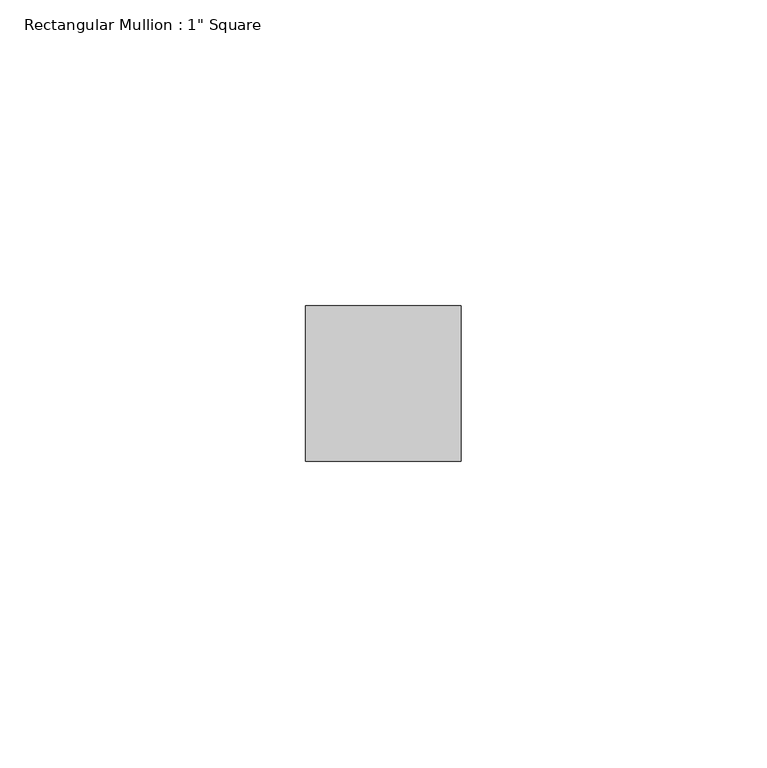
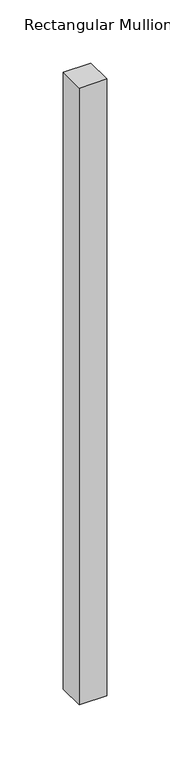
"""IFC4 building model written with IfcOpenShell, lengths in millimetres: member geometry."""

from ifc_helpers import new_model, si_unit, frame, origin, place, context, project, spatial, polyline, outline, extrude, source, transform, mapped, element, save


def member_bdd41ec4(model_context):
    return source(origin(), model_context, "Body", "SweptSolid", [
        extrude(outline(polyline([(0.0, 12.7), (0.0, -12.7), (-25.4, -12.7), (-25.4, 12.7), (0.0, 12.7)])), frame((0.0, 0.0, -596.9), z_axis=(0.0, 0.0, 1.0), x_axis=(1.0, 0.0, 0.0)), (0.0, 0.0, 1.0), 596.9),
    ])


if __name__ == "__main__":
    model = new_model("IFC4")
    model_context = context("Model", 3, world=origin())
    ifc_project = project(units=[si_unit("LENGTHUNIT", "METRE", prefix="MILLI")], contexts=[model_context])
    site = spatial("IfcSite", under=ifc_project)
    building = spatial("IfcBuilding", under=site)
    placement = place(None, origin())
    member_shape = member_bdd41ec4(model_context)
    element("IfcMember", 1, ObjectType="Rectangular Mullion : 1\" Square", at=placement, inside=building, context=model_context, shape_type="MappedRepresentation", body=[
        mapped(member_shape, transform((0.0, 0.0, 0.0), x_axis=(1.0, 0.0, 0.0), y_axis=(0.0, 1.0, 0.0), z_axis=(0.0, 0.0, 1.0))),
    ])
    save(model, "model.ifc")
